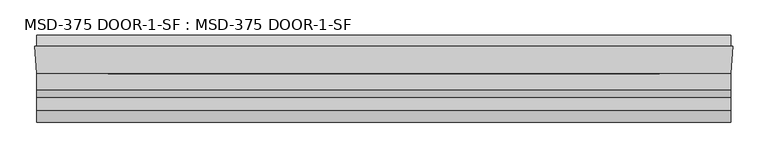
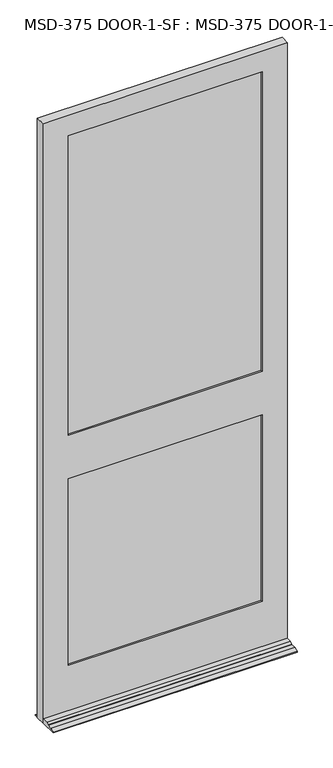
"""IFC4 building model written with IfcOpenShell, lengths in millimetres: plate geometry, MSD-375 DOOR-1-SF : MSD-375 DOOR-1-SF."""

from ifc_helpers import new_model, si_unit, frame, origin, place, context, project, spatial, polyline, outline, extrude, faceted_brep, source, transform, mapped, element, save


def msd_375_door_1_sf_msd_375_door_1_sf_e49a58cc(model_context):
    return source(origin(), model_context, "Body", "SolidModel", [
        faceted_brep([(571.4353327, 1.8752528, 0.0), (568.6667327, -42.5747472, 0.0), (568.6667327, -121.9497472, 0.0), (-575.0814, -121.9497472, 0.0), (-575.0814, -42.5747472, 0.0), (-577.85, 1.8752528, 0.0), (-575.0814, 1.8752528, 0.0), (-575.0814, 20.9252528, 0.0), (568.6667327, 20.9252528, 0.0), (568.6667327, 1.8752528, 0.0), (568.6667327, -42.5747472, 21.4376), (568.6667327, -68.4446472, 21.4376), (568.6667327, -80.8652472, 14.2748), (568.6667327, -80.8652472, 12.7), (568.6667327, -102.8997472, 12.7), (568.6667327, -121.9497472, 3.175), (568.6667327, 20.9252528, 3.175), (568.6667327, 1.8752528, 12.7), (-575.0814, 1.8752528, 12.7), (-575.0814, 20.9252528, 3.175), (-575.0814, -121.9497472, 3.175), (-575.0814, -102.8997472, 12.7), (-575.0814, -80.8652472, 12.7), (-575.0814, -80.8652472, 14.2748), (-575.0814, -68.4446472, 21.4376), (-575.0814, -42.5747472, 21.4376), (571.4353327, 1.8752528, 2971.7168046), (-577.85, 1.8752528, 2971.7168046), (-457.2, 1.8752528, 1169.9748), (-457.2, 1.8752528, 246.0625), (450.7853327, 1.8752528, 246.0625), (450.7853327, 1.8752528, 1169.9748), (450.7853327, 1.8752528, 2870.1168046), (-457.2, 1.8752528, 2870.1168046), (-457.2, 1.8752528, 1385.8748), (450.7853327, 1.8752528, 1385.8748), (450.7853327, -9.7325472, 2870.1168046), (-457.2, -9.7325472, 2870.1168046), (470.6227327, -9.7325472, 1189.8249), (-477.0374, -9.7325472, 1189.8249), (-477.0374, -9.7325472, 226.2251), (470.6227327, -9.7325472, 226.2251), (-457.2, -9.7325472, 1169.9748), (450.7853327, -9.7325472, 1169.9748), (450.7853327, -9.7325472, 246.0625), (-457.2, -9.7325472, 246.0625), (470.6227327, -9.7325472, 2890.0374), (-477.0374, -9.7325472, 2890.0374), (-477.0374, -9.7325472, 1366.0374), (470.6227327, -9.7325472, 1366.0374), (450.7853327, -9.7325472, 1385.8748), (-457.2, -9.7325472, 1385.8748), (470.6227327, -35.1325472, 2890.0374), (-477.0374, -35.1325472, 2890.0374), (-477.0374, -35.1325472, 1189.8249), (470.6227327, -35.1325472, 1189.8249), (470.6227327, -35.1325472, 226.2251), (-477.0374, -35.1325472, 226.2251), (450.7853327, -35.1325472, 1169.9748), (-457.2, -35.1325472, 1169.9748), (-457.2, -35.1325472, 246.0625), (450.7853327, -35.1325472, 246.0625), (470.6227327, -35.1325472, 1366.0374), (-477.0374, -35.1325472, 1366.0374), (450.7853327, -35.1325472, 2870.1168046), (-457.2, -35.1325472, 2870.1168046), (-457.2, -35.1325472, 1385.8748), (450.7853327, -35.1325472, 1385.8748), (450.7853327, -42.5747472, 2870.1168046), (-457.2, -42.5747472, 2870.1168046), (568.6667327, -42.5747472, 2971.7168046), (-575.0814, -42.5747472, 2971.7168046), (450.7853327, -42.5747472, 1169.9748), (450.7853327, -42.5747472, 246.0625), (-457.2, -42.5747472, 246.0625), (-457.2, -42.5747472, 1169.9748), (450.7853327, -42.5747472, 1385.8748), (-457.2, -42.5747472, 1385.8748)], [[[0, 1, 2, 3, 4, 5, 6, 7, 8, 9]], [[10, 11, 12, 13, 14, 15, 2, 1]], [[8, 16, 17, 9]], [[18, 19, 7, 6]], [[3, 20, 21, 22, 23, 24, 25, 4]], [[26, 0, 9, 17, 18, 6, 5, 27], [28, 29, 30, 31], [32, 33, 34, 35]], [[32, 36, 37, 33]], [[38, 39, 40, 41], [42, 43, 44, 45]], [[46, 47, 48, 49], [37, 36, 50, 51]], [[46, 52, 53, 47]], [[54, 55, 56, 57], [58, 59, 60, 61]], [[53, 52, 62, 63], [64, 65, 66, 67]], [[64, 68, 69, 65]], [[70, 71, 25, 10], [72, 73, 74, 75], [69, 68, 76, 77]], [[70, 26, 27, 71]], [[52, 46, 49, 62]], [[56, 55, 38, 41]], [[68, 64, 67, 76]], [[72, 58, 61, 73]], [[26, 70, 10, 1, 0]], [[36, 32, 35, 50]], [[43, 31, 30, 44]], [[25, 71, 27, 5, 4]], [[65, 69, 77, 66]], [[59, 75, 74, 60]], [[40, 39, 54, 57]], [[47, 53, 63, 48]], [[33, 37, 51, 34]], [[28, 42, 45, 29]], [[35, 34, 51, 50]], [[62, 49, 48, 63]], [[67, 66, 77, 76]], [[59, 58, 72, 75]], [[38, 55, 54, 39]], [[28, 31, 43, 42]], [[57, 56, 41, 40]], [[61, 60, 74, 73]], [[11, 10, 25, 24]], [[12, 11, 24, 23]], [[13, 12, 23, 22]], [[14, 13, 22, 21]], [[15, 14, 21, 20]], [[2, 15, 20, 3]], [[16, 8, 7, 19]], [[18, 17, 16, 19]], [[30, 29, 45, 44]]]),
        extrude(outline(polyline([(-477.0374, -9.7325472), (470.6227327, -9.7325472), (470.6227327, -14.8125472), (-477.0374, -14.8125472), (-477.0374, -9.7325472)])), frame((0.0, 0.0, 226.21875), z_axis=(0.0, 0.0, 1.0), x_axis=(1.0, 0.0, 0.0)), (0.0, 0.0, 1.0), 963.60615),
        extrude(outline(polyline([(470.6227327, -24.2105472), (470.6227327, -29.2905472), (-477.0374, -29.2905472), (-477.0374, -24.2105472), (470.6227327, -24.2105472)])), frame((0.0, 0.0, 226.21875), z_axis=(0.0, 0.0, 1.0), x_axis=(1.0, 0.0, 0.0)), (0.0, 0.0, 1.0), 963.60615),
        extrude(outline(polyline([(-477.0374, -30.0525472), (470.6227327, -30.0525472), (470.6227327, -35.1325472), (-477.0374, -35.1325472), (-477.0374, -30.0525472)])), frame((0.0, 0.0, 226.21875), z_axis=(0.0, 0.0, 1.0), x_axis=(1.0, 0.0, 0.0)), (0.0, 0.0, 1.0), 963.60615),
        extrude(outline(polyline([(-475.1412802, -9.7325472), (470.0088756, -9.7325472), (470.0088756, -14.8125472), (-475.1412802, -14.8125472), (-475.1412802, -9.7325472)])), frame((0.0, 0.0, 1366.0374), z_axis=(0.0, 0.0, 1.0), x_axis=(1.0, 0.0, 0.0)), (0.0, 0.0, 1.0), 1524.0),
        extrude(outline(polyline([(470.0088756, -24.2105472), (470.0088756, -29.2905472), (-475.1412802, -29.2905472), (-475.1412802, -24.2105472), (470.0088756, -24.2105472)])), frame((0.0, 0.0, 1366.0374), z_axis=(0.0, 0.0, 1.0), x_axis=(1.0, 0.0, 0.0)), (0.0, 0.0, 1.0), 1524.0),
        extrude(outline(polyline([(-475.1412802, -30.0525472), (470.0088756, -30.0525472), (470.0088756, -35.1325472), (-475.1412802, -35.1325472), (-475.1412802, -30.0525472)])), frame((0.0, 0.0, 1366.0374), z_axis=(0.0, 0.0, 1.0), x_axis=(1.0, 0.0, 0.0)), (0.0, 0.0, 1.0), 1524.0),
    ])


if __name__ == "__main__":
    model = new_model("IFC4")
    model_context = context("Model", 3, world=origin())
    ifc_project = project(units=[si_unit("LENGTHUNIT", "METRE", prefix="MILLI")], contexts=[model_context])
    site = spatial("IfcSite", under=ifc_project)
    building = spatial("IfcBuilding", under=site)
    placement = place(None, origin())
    msd_375_door_1_sf_msd_375_door_1_sf_shape = msd_375_door_1_sf_msd_375_door_1_sf_e49a58cc(model_context)
    element("IfcPlate", 1, ObjectType="MSD-375 DOOR-1-SF : MSD-375 DOOR-1-SF", at=placement, inside=building, context=model_context, shape_type="MappedRepresentation", body=[
        mapped(msd_375_door_1_sf_msd_375_door_1_sf_shape, transform((0.0, 0.0, 0.0), x_axis=(1.0, 0.0, 0.0), y_axis=(0.0, 1.0, 0.0), z_axis=(0.0, 0.0, 1.0))),
    ])
    save(model, "model.ifc")
